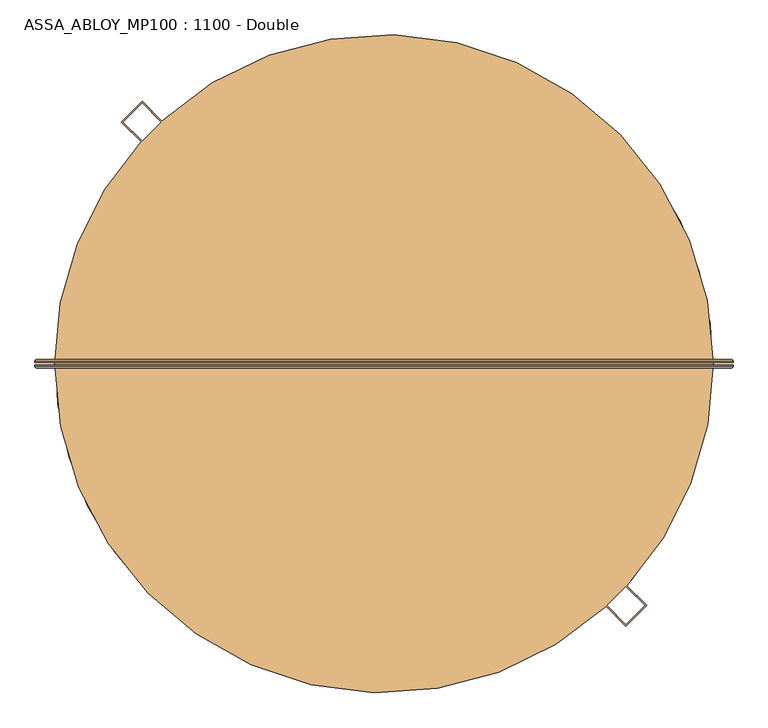
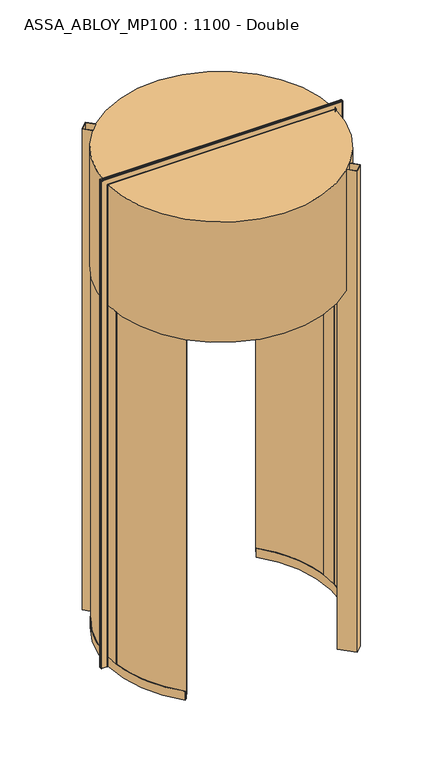
"""IFC4 building model written with IfcOpenShell, lengths in millimetres: door geometry, ASSA_ABLOY_MP100 : 1100 - Double."""

from ifc_helpers import new_model, si_unit, point, frame, frame_2d, origin, place, context, project, spatial, polyline, circle_curve, ellipse_curve, trimmed, segment, composite_curve, outline, extrude, source, transform, mapped, element, save
from ifc_brep_helpers import plane_surface, cylinder_surface, revolved_surface, advanced_brep


def assa_abloy_mp100_1100_double_54a9ef45(model_context):
    return source(origin(), model_context, "Body", "SolidModel", [
        advanced_brep(
        [(1070.0980762, 11.0, 0.0), (1074.0980762, 7.0, 0.0), (1074.0980762, 3.0, 0.0), (1072.0980762, 3.0, 0.0), (1072.0980762, 7.0, 0.0), (1070.0980762, 9.0, 0.0), (1028.0980762, 9.0, 0.0), (1026.0980762, 7.0, 0.0), (1026.0980762, 3.0, 0.0), (1024.0980762, 3.0, 0.0), (1024.0980762, 7.0, 0.0), (1028.0980762, 11.0, 0.0), (1070.0980762, 11.0, 4050.9980762), (1074.0980762, 7.0, 4054.9980762), (1074.0980762, 3.0, 4054.9980762), (1024.0980762, 7.0, 4004.9980762), (1028.0980762, 11.0, 4008.9980762), (-778.0980762, 11.0, 4008.9980762), (-778.0980762, 11.0, 0.0), (-820.0980762, 11.0, 0.0), (-820.0980762, 11.0, 4050.9980762), (-824.0980762, 7.0, 4054.9980762), (-824.0980762, 3.0, 4054.9980762), (-774.0980762, 7.0, 4004.9980762), (-774.0980762, 7.0, 0.0), (-774.0980762, 3.0, 0.0), (-776.0980762, 3.0, 0.0), (-776.0980762, 7.0, 0.0), (-778.0980762, 9.0, 0.0), (-820.0980762, 9.0, 0.0), (-822.0980762, 7.0, 0.0), (-822.0980762, 3.0, 0.0), (-824.0980762, 3.0, 0.0), (-824.0980762, 7.0, 0.0), (-822.0980762, 3.0, 4052.9980762), (1072.0980762, 3.0, 4052.9980762), (1072.0980762, 7.0, 4052.9980762), (1070.0980762, 9.0, 4050.9980762), (-820.0980762, 9.0, 4050.9980762), (-778.0980762, 9.0, 4008.9980762), (1028.0980762, 9.0, 4008.9980762), (1026.0980762, 7.0, 4006.9980762), (1026.0980762, 3.0, 4006.9980762), (-776.0980762, 3.0, 4006.9980762), (-774.0980762, 3.0, 4004.9980762), (1024.0980762, 3.0, 4004.9980762), (-822.0980762, 7.0, 4052.9980762), (-776.0980762, 7.0, 4006.9980762)],
        [
            (0, 1, circle_curve(frame((1070.0980762, 7.0, 0.0), z_axis=(0.0, 0.0, -1.0), x_axis=(-1.0, 0.0, 0.0)), 4.0)),
            (1, 2),
            (2, 3),
            (3, 4),
            (4, 5, circle_curve(frame((1070.0980762, 7.0, 0.0), z_axis=(0.0, 0.0, 1.0), x_axis=(-1.0, 0.0, 0.0)), 2.0)),
            (5, 6),
            (6, 7, circle_curve(frame((1028.0980762, 7.0, 0.0), z_axis=(0.0, 0.0, 1.0), x_axis=(-1.0, 0.0, 0.0)), 2.0)),
            (7, 8),
            (8, 9),
            (9, 10),
            (10, 11, circle_curve(frame((1028.0980762, 7.0, 0.0), z_axis=(0.0, 0.0, -1.0), x_axis=(-1.0, 0.0, 0.0)), 4.0)),
            (11, 0),
            (0, 12),
            (12, 13, ellipse_curve(frame((1070.0980762, 7.0, 4050.9980762), z_axis=(0.7071067811865475, 0.0, -0.7071067811865475), x_axis=(-0.7071067811865474, 0.0, -0.7071067811865476)), 5.6568542, 4.0)),
            (13, 1),
            (13, 14),
            (14, 2),
            (10, 15),
            (15, 16, ellipse_curve(frame((1028.0980762, 7.0, 4008.9980762), z_axis=(0.7071067811865475, 0.0, -0.7071067811865475), x_axis=(-0.7071067811865474, 0.0, -0.7071067811865476)), 5.6568542, 4.0)),
            (16, 11),
            (16, 17),
            (17, 18),
            (18, 19),
            (19, 20),
            (20, 12),
            (20, 21, ellipse_curve(frame((-820.0980762, 7.0, 4050.9980762), z_axis=(0.7071067811865475, 0.0, 0.7071067811865475), x_axis=(0.7071067811865476, 0.0, -0.7071067811865474)), 5.6568542, 4.0)),
            (21, 13),
            (21, 22),
            (22, 14),
            (15, 23),
            (23, 17, ellipse_curve(frame((-778.0980762, 7.0, 4008.9980762), z_axis=(0.7071067811865475, 0.0, 0.7071067811865475), x_axis=(0.7071067811865476, 0.0, -0.7071067811865474)), 5.6568542, 4.0)),
            (18, 24, circle_curve(frame((-778.0980762, 7.0, 0.0), z_axis=(0.0, 0.0, -1.0), x_axis=(1.0, 0.0, 0.0)), 4.0)),
            (24, 25),
            (25, 26),
            (26, 27),
            (27, 28, circle_curve(frame((-778.0980762, 7.0, 0.0), z_axis=(0.0, 0.0, 1.0), x_axis=(1.0, 0.0, 0.0)), 2.0)),
            (28, 29),
            (29, 30, circle_curve(frame((-820.0980762, 7.0, 0.0), z_axis=(0.0, 0.0, 1.0), x_axis=(1.0, 0.0, 0.0)), 2.0)),
            (30, 31),
            (31, 32),
            (32, 33),
            (33, 19, circle_curve(frame((-820.0980762, 7.0, 0.0), z_axis=(0.0, 0.0, -1.0), x_axis=(1.0, 0.0, 0.0)), 4.0)),
            (33, 21),
            (32, 22),
            (23, 24),
            (31, 34),
            (34, 35),
            (35, 3),
            (35, 36),
            (36, 4),
            (36, 37, ellipse_curve(frame((1070.0980762, 7.0, 4050.9980762), z_axis=(-0.7071067811865475, 0.0, 0.7071067811865475), x_axis=(0.7071067811865474, 0.0, 0.7071067811865476)), 2.8284271, 2.0)),
            (37, 5),
            (37, 38),
            (38, 29),
            (28, 39),
            (39, 40),
            (40, 6),
            (40, 41, ellipse_curve(frame((1028.0980762, 7.0, 4008.9980762), z_axis=(-0.7071067811865475, 0.0, 0.7071067811865475), x_axis=(0.7071067811865474, 0.0, 0.7071067811865476)), 2.8284271, 2.0)),
            (41, 7),
            (41, 42),
            (42, 8),
            (42, 43),
            (43, 26),
            (25, 44),
            (44, 45),
            (45, 9),
            (45, 15),
            (34, 46),
            (46, 36),
            (46, 38, ellipse_curve(frame((-820.0980762, 7.0, 4050.9980762), z_axis=(-0.7071067811865475, 0.0, -0.7071067811865475), x_axis=(-0.7071067811865476, 0.0, 0.7071067811865474)), 2.8284271, 2.0)),
            (39, 47, ellipse_curve(frame((-778.0980762, 7.0, 4008.9980762), z_axis=(-0.7071067811865475, 0.0, -0.7071067811865475), x_axis=(-0.7071067811865476, 0.0, 0.7071067811865474)), 2.8284271, 2.0)),
            (47, 41),
            (47, 43),
            (44, 23),
            (30, 46),
            (27, 47),
        ],
        [
            plane_surface(frame((1024.1, 0.0, 0.0), z_axis=(0.0, 0.0, -1.0), x_axis=(0.0, -1.0, 0.0))),
            cylinder_surface(frame((1070.0980762, 7.0, 0.0), z_axis=(0.0, 0.0, -1.0), x_axis=(-1.0, 0.0, 0.0)), 4.0),
            plane_surface(frame((1074.0980762, 7.0, 0.0), z_axis=(1.0, 0.0, 0.0), x_axis=(0.0, 0.0, 1.0))),
            cylinder_surface(frame((1028.0980762, 7.0, 0.0), z_axis=(0.0, 0.0, -1.0), x_axis=(-1.0, 0.0, 0.0)), 4.0),
            plane_surface(frame((1028.0980762, 11.0, 0.0), z_axis=(0.0, 1.0, 0.0), x_axis=(0.0, 0.0, 1.0))),
            cylinder_surface(frame((1024.1, 7.0, 4050.9980762), z_axis=(1.0, 0.0, 0.0), x_axis=(0.0, 0.0, -1.0)), 4.0),
            plane_surface(frame((1074.0980762, 7.0, 4054.9980762), z_axis=(0.0, 0.0, 1.0), x_axis=(-1.0, 0.0, 0.0))),
            cylinder_surface(frame((1024.1, 7.0, 4008.9980762), z_axis=(1.0, 0.0, 0.0), x_axis=(0.0, 0.0, -1.0)), 4.0),
            plane_surface(frame((-774.1, 0.0, 0.0), z_axis=(0.0, 0.0, -1.0), x_axis=(0.0, -1.0, 0.0))),
            cylinder_surface(frame((-820.0980762, 7.0, 4005.0), z_axis=(0.0, 0.0, 1.0), x_axis=(1.0, 0.0, 0.0)), 4.0),
            plane_surface(frame((-824.0980762, 7.0, 4054.9980762), z_axis=(-1.0, 0.0, 0.0), x_axis=(0.0, 0.0, -1.0))),
            cylinder_surface(frame((-778.0980762, 7.0, 4005.0), z_axis=(0.0, 0.0, 1.0), x_axis=(1.0, 0.0, 0.0)), 4.0),
            plane_surface(frame((1074.0980762, 3.0, 0.0), z_axis=(0.0, -1.0, 0.0), x_axis=(0.0, 0.0, 1.0))),
            plane_surface(frame((1072.0980762, 3.0, 0.0), z_axis=(-1.0, 0.0, 0.0), x_axis=(0.0, 0.0, 1.0))),
            revolved_surface(polyline([(1068.0980762, 7.0, 4052.9980762), (1068.0980762, 7.0, 0.0)]), (1070.0980762, 7.0, 0.0), (0.0, 0.0, 1.0)),
            plane_surface(frame((1070.0980762, 9.0, 0.0), z_axis=(0.0, -1.0, 0.0), x_axis=(0.0, 0.0, 1.0))),
            revolved_surface(polyline([(1026.0980762, 7.0, 4010.998076182502), (1026.0980762, 7.0, 0.0)]), (1028.0980762, 7.0, 0.0), (0.0, 0.0, 1.0)),
            plane_surface(frame((1026.0980762, 7.0, 0.0), z_axis=(1.0, 0.0, 0.0), x_axis=(0.0, 0.0, 1.0))),
            plane_surface(frame((1026.0980762, 3.0, 0.0), z_axis=(0.0, -1.0, 0.0), x_axis=(0.0, 0.0, 1.0))),
            plane_surface(frame((1024.0980762, 3.0, 0.0), z_axis=(-1.0, 0.0, 0.0), x_axis=(0.0, 0.0, 1.0))),
            plane_surface(frame((1072.0980762, 3.0, 4052.9980762), z_axis=(0.0, 0.0, -1.0), x_axis=(-1.0, 0.0, 0.0))),
            revolved_surface(polyline([(-822.0980761999999, 7.0, 4048.9980762), (1072.0980762, 7.0, 4048.9980762)]), (1024.1, 7.0, 4050.9980762), (-1.0, 0.0, 0.0)),
            revolved_surface(polyline([(-780.0980761825017, 7.0, 4006.9980762), (1030.0980761825017, 7.0, 4006.9980762)]), (1024.1, 7.0, 4008.9980762), (-1.0, 0.0, 0.0)),
            plane_surface(frame((1026.0980762, 7.0, 4006.9980762), z_axis=(0.0, 0.0, 1.0), x_axis=(-1.0, 0.0, 0.0))),
            plane_surface(frame((1024.0980762, 3.0, 4004.9980762), z_axis=(0.0, 0.0, -1.0), x_axis=(-1.0, 0.0, 0.0))),
            plane_surface(frame((-822.0980762, 3.0, 4052.9980762), z_axis=(1.0, 0.0, 0.0), x_axis=(0.0, 0.0, -1.0))),
            revolved_surface(polyline([(-818.0980762, 7.0, 0.0), (-818.0980762, 7.0, 4052.9980762)]), (-820.0980762, 7.0, 4005.0), (0.0, 0.0, -1.0)),
            revolved_surface(polyline([(-776.0980762, 7.0, 0.0), (-776.0980762, 7.0, 4010.998076182502)]), (-778.0980762, 7.0, 4005.0), (0.0, 0.0, -1.0)),
            plane_surface(frame((-776.0980762, 7.0, 4006.9980762), z_axis=(-1.0, 0.0, 0.0), x_axis=(0.0, 0.0, -1.0))),
            plane_surface(frame((-774.0980762, 3.0, 4004.9980762), z_axis=(1.0, 0.0, 0.0), x_axis=(0.0, 0.0, -1.0))),
        ],
        [
            (0, [[1, 2, 3, 4, 5, 6, 7, 8, 9, 10, 11, 12]]),
            (1, [[-1, 13, 14, 15]]),
            (2, [[-2, -15, 16, 17]]),
            (3, [[-11, 18, 19, 20]]),
            (4, [[-12, -20, 21, 22, 23, 24, 25, -13]]),
            (5, [[-14, -25, 26, 27]]),
            (6, [[-16, -27, 28, 29]]),
            (7, [[-19, 30, 31, -21]]),
            (8, [[-23, 32, 33, 34, 35, 36, 37, 38, 39, 40, 41, 42]]),
            (9, [[-26, -24, -42, 43]]),
            (10, [[-28, -43, -41, 44]]),
            (11, [[-31, 45, -32, -22]]),
            (12, [[-3, -17, -29, -44, -40, 46, 47, 48]]),
            (13, [[-4, -48, 49, 50]]),
            (14, [[-5, -50, 51, 52]]),
            (15, [[-6, -52, 53, 54, -37, 55, 56, 57]]),
            (16, [[-7, -57, 58, 59]]),
            (17, [[-8, -59, 60, 61]]),
            (18, [[-9, -61, 62, 63, -34, 64, 65, 66]]),
            (19, [[-10, -66, 67, -18]]),
            (20, [[-49, -47, 68, 69]]),
            (21, [[-51, -69, 70, -53]]),
            (22, [[-58, -56, 71, 72]]),
            (23, [[-60, -72, 73, -62]]),
            (24, [[-67, -65, 74, -30]]),
            (25, [[-68, -46, -39, 75]]),
            (26, [[-70, -75, -38, -54]]),
            (27, [[-71, -55, -36, 76]]),
            (28, [[-73, -76, -35, -63]]),
            (29, [[-74, -64, -33, -45]]),
        ],
    ),
        advanced_brep(
        [(1024.0980762, -3.0, 0.0), (1026.0980762, -3.0, 0.0), (1026.0980762, -7.0, 0.0), (1028.0980762, -9.0, 0.0), (1070.0980762, -9.0, 0.0), (1072.0980762, -7.0, 0.0), (1072.0980762, -3.0, 0.0), (1074.0980762, -3.0, 0.0), (1074.0980762, -7.0, 0.0), (1070.0980762, -11.0, 0.0), (1028.0980762, -11.0, 0.0), (1024.0980762, -7.0, 0.0), (1074.0980762, -7.0, 4054.9980762), (1070.0980762, -11.0, 4050.9980762), (-820.0980762, -11.0, 4050.9980762), (-820.0980762, -11.0, 0.0), (-778.0980762, -11.0, 0.0), (-778.0980762, -11.0, 4008.9980762), (1028.0980762, -11.0, 4008.9980762), (1024.0980762, -7.0, 4004.9980762), (1024.0980762, -3.0, 4004.9980762), (-824.0980762, -7.0, 4054.9980762), (-774.0980762, -7.0, 4004.9980762), (-774.0980762, -3.0, 4004.9980762), (-774.0980762, -3.0, 0.0), (-774.0980762, -7.0, 0.0), (-824.0980762, -7.0, 0.0), (-824.0980762, -3.0, 0.0), (-822.0980762, -3.0, 0.0), (-822.0980762, -7.0, 0.0), (-820.0980762, -9.0, 0.0), (-778.0980762, -9.0, 0.0), (-776.0980762, -7.0, 0.0), (-776.0980762, -3.0, 0.0), (-776.0980762, -3.0, 4006.9980762), (1026.0980762, -3.0, 4006.9980762), (1026.0980762, -7.0, 4006.9980762), (1028.0980762, -9.0, 4008.9980762), (-778.0980762, -9.0, 4008.9980762), (-820.0980762, -9.0, 4050.9980762), (1070.0980762, -9.0, 4050.9980762), (1072.0980762, -7.0, 4052.9980762), (1072.0980762, -3.0, 4052.9980762), (-822.0980762, -3.0, 4052.9980762), (-824.0980762, -3.0, 4054.9980762), (1074.0980762, -3.0, 4054.9980762), (-776.0980762, -7.0, 4006.9980762), (-822.0980762, -7.0, 4052.9980762)],
        [
            (0, 1),
            (1, 2),
            (2, 3, circle_curve(frame((1028.0980762, -7.0, 0.0), z_axis=(0.0, 0.0, 1.0), x_axis=(-1.0, 0.0, 0.0)), 2.0)),
            (3, 4),
            (4, 5, circle_curve(frame((1070.0980762, -7.0, 0.0), z_axis=(0.0, 0.0, 1.0), x_axis=(-1.0, 0.0, 0.0)), 2.0)),
            (5, 6),
            (6, 7),
            (7, 8),
            (8, 9, circle_curve(frame((1070.0980762, -7.0, 0.0), z_axis=(0.0, 0.0, -1.0), x_axis=(-1.0, 0.0, 0.0)), 4.0)),
            (9, 10),
            (10, 11, circle_curve(frame((1028.0980762, -7.0, 0.0), z_axis=(0.0, 0.0, -1.0), x_axis=(-1.0, 0.0, 0.0)), 4.0)),
            (11, 0),
            (8, 12),
            (12, 13, ellipse_curve(frame((1070.0980762, -7.0, 4050.9980762), z_axis=(0.7071067811865475, 0.0, -0.7071067811865475), x_axis=(-0.7071067811865474, 0.0, -0.7071067811865476)), 5.6568542, 4.0)),
            (13, 9),
            (13, 14),
            (14, 15),
            (15, 16),
            (16, 17),
            (17, 18),
            (18, 10),
            (18, 19, ellipse_curve(frame((1028.0980762, -7.0, 4008.9980762), z_axis=(0.7071067811865475, 0.0, -0.7071067811865475), x_axis=(-0.7071067811865474, 0.0, -0.7071067811865476)), 5.6568542, 4.0)),
            (19, 11),
            (19, 20),
            (20, 0),
            (12, 21),
            (21, 14, ellipse_curve(frame((-820.0980762, -7.0, 4050.9980762), z_axis=(0.7071067811865475, 0.0, 0.7071067811865475), x_axis=(0.7071067811865476, 0.0, -0.7071067811865474)), 5.6568542, 4.0)),
            (17, 22, ellipse_curve(frame((-778.0980762, -7.0, 4008.9980762), z_axis=(0.7071067811865475, 0.0, 0.7071067811865475), x_axis=(0.7071067811865476, 0.0, -0.7071067811865474)), 5.6568542, 4.0)),
            (22, 19),
            (22, 23),
            (23, 20),
            (24, 25),
            (25, 16, circle_curve(frame((-778.0980762, -7.0, 0.0), z_axis=(0.0, 0.0, -1.0), x_axis=(1.0, 0.0, 0.0)), 4.0)),
            (15, 26, circle_curve(frame((-820.0980762, -7.0, 0.0), z_axis=(0.0, 0.0, -1.0), x_axis=(1.0, 0.0, 0.0)), 4.0)),
            (26, 27),
            (27, 28),
            (28, 29),
            (29, 30, circle_curve(frame((-820.0980762, -7.0, 0.0), z_axis=(0.0, 0.0, 1.0), x_axis=(1.0, 0.0, 0.0)), 2.0)),
            (30, 31),
            (31, 32, circle_curve(frame((-778.0980762, -7.0, 0.0), z_axis=(0.0, 0.0, 1.0), x_axis=(1.0, 0.0, 0.0)), 2.0)),
            (32, 33),
            (33, 24),
            (21, 26),
            (25, 22),
            (24, 23),
            (33, 34),
            (34, 35),
            (35, 1),
            (35, 36),
            (36, 2),
            (36, 37, ellipse_curve(frame((1028.0980762, -7.0, 4008.9980762), z_axis=(-0.7071067811865475, 0.0, 0.7071067811865475), x_axis=(0.7071067811865474, 0.0, 0.7071067811865476)), 2.8284271, 2.0)),
            (37, 3),
            (37, 38),
            (38, 31),
            (30, 39),
            (39, 40),
            (40, 4),
            (40, 41, ellipse_curve(frame((1070.0980762, -7.0, 4050.9980762), z_axis=(-0.7071067811865475, 0.0, 0.7071067811865475), x_axis=(0.7071067811865474, 0.0, 0.7071067811865476)), 2.8284271, 2.0)),
            (41, 5),
            (41, 42),
            (42, 6),
            (42, 43),
            (43, 28),
            (27, 44),
            (44, 45),
            (45, 7),
            (45, 12),
            (34, 46),
            (46, 36),
            (46, 38, ellipse_curve(frame((-778.0980762, -7.0, 4008.9980762), z_axis=(-0.7071067811865475, 0.0, -0.7071067811865475), x_axis=(-0.7071067811865476, 0.0, 0.7071067811865474)), 2.8284271, 2.0)),
            (39, 47, ellipse_curve(frame((-820.0980762, -7.0, 4050.9980762), z_axis=(-0.7071067811865475, 0.0, -0.7071067811865475), x_axis=(-0.7071067811865476, 0.0, 0.7071067811865474)), 2.8284271, 2.0)),
            (47, 41),
            (47, 43),
            (44, 21),
            (32, 46),
            (29, 47),
        ],
        [
            plane_surface(frame((1024.1, 0.0, 0.0), z_axis=(0.0, 0.0, -1.0), x_axis=(0.0, -1.0, 0.0))),
            cylinder_surface(frame((1070.0980762, -7.0, 0.0), z_axis=(0.0, 0.0, -1.0), x_axis=(-1.0, 0.0, 0.0)), 4.0),
            plane_surface(frame((1070.0980762, -11.0, 0.0), z_axis=(0.0, -1.0, 0.0), x_axis=(0.0, 0.0, 1.0))),
            cylinder_surface(frame((1028.0980762, -7.0, 0.0), z_axis=(0.0, 0.0, -1.0), x_axis=(-1.0, 0.0, 0.0)), 4.0),
            plane_surface(frame((1024.0980762, -7.0, 0.0), z_axis=(-1.0, 0.0, 0.0), x_axis=(0.0, 0.0, 1.0))),
            cylinder_surface(frame((1024.1, -7.0, 4050.9980762), z_axis=(1.0, 0.0, 0.0), x_axis=(0.0, 0.0, -1.0)), 4.0),
            cylinder_surface(frame((1024.1, -7.0, 4008.9980762), z_axis=(1.0, 0.0, 0.0), x_axis=(0.0, 0.0, -1.0)), 4.0),
            plane_surface(frame((1024.0980762, -7.0, 4004.9980762), z_axis=(0.0, 0.0, -1.0), x_axis=(-1.0, 0.0, 0.0))),
            plane_surface(frame((-774.1, 0.0, 0.0), z_axis=(0.0, 0.0, -1.0), x_axis=(0.0, -1.0, 0.0))),
            cylinder_surface(frame((-820.0980762, -7.0, 4005.0), z_axis=(0.0, 0.0, 1.0), x_axis=(1.0, 0.0, 0.0)), 4.0),
            cylinder_surface(frame((-778.0980762, -7.0, 4005.0), z_axis=(0.0, 0.0, 1.0), x_axis=(1.0, 0.0, 0.0)), 4.0),
            plane_surface(frame((-774.0980762, -7.0, 4004.9980762), z_axis=(1.0, 0.0, 0.0), x_axis=(0.0, 0.0, -1.0))),
            plane_surface(frame((1024.0980762, -3.0, 0.0), z_axis=(0.0, 1.0, 0.0), x_axis=(0.0, 0.0, 1.0))),
            plane_surface(frame((1026.0980762, -3.0, 0.0), z_axis=(1.0, 0.0, 0.0), x_axis=(0.0, 0.0, 1.0))),
            revolved_surface(polyline([(1026.0980762, -7.0, 4010.998076182502), (1026.0980762, -7.0, 0.0)]), (1028.0980762, -7.0, 0.0), (0.0, 0.0, 1.0)),
            plane_surface(frame((1028.0980762, -9.0, 0.0), z_axis=(0.0, 1.0, 0.0), x_axis=(0.0, 0.0, 1.0))),
            revolved_surface(polyline([(1068.0980762, -7.0, 4052.9980762), (1068.0980762, -7.0, 0.0)]), (1070.0980762, -7.0, 0.0), (0.0, 0.0, 1.0)),
            plane_surface(frame((1072.0980762, -7.0, 0.0), z_axis=(-1.0, 0.0, 0.0), x_axis=(0.0, 0.0, 1.0))),
            plane_surface(frame((1072.0980762, -3.0, 0.0), z_axis=(0.0, 1.0, 0.0), x_axis=(0.0, 0.0, 1.0))),
            plane_surface(frame((1074.0980762, -3.0, 0.0), z_axis=(1.0, 0.0, 0.0), x_axis=(0.0, 0.0, 1.0))),
            plane_surface(frame((1026.0980762, -3.0, 4006.9980762), z_axis=(0.0, 0.0, 1.0), x_axis=(-1.0, 0.0, 0.0))),
            revolved_surface(polyline([(-780.0980761825017, -7.0, 4006.9980762), (1030.0980761825017, -7.0, 4006.9980762)]), (1024.1, -7.0, 4008.9980762), (-1.0, 0.0, 0.0)),
            revolved_surface(polyline([(-822.0980761999999, -7.0, 4048.9980762), (1072.0980762, -7.0, 4048.9980762)]), (1024.1, -7.0, 4050.9980762), (-1.0, 0.0, 0.0)),
            plane_surface(frame((1072.0980762, -7.0, 4052.9980762), z_axis=(0.0, 0.0, -1.0), x_axis=(-1.0, 0.0, 0.0))),
            plane_surface(frame((1074.0980762, -3.0, 4054.9980762), z_axis=(0.0, 0.0, 1.0), x_axis=(-1.0, 0.0, 0.0))),
            plane_surface(frame((-776.0980762, -3.0, 4006.9980762), z_axis=(-1.0, 0.0, 0.0), x_axis=(0.0, 0.0, -1.0))),
            revolved_surface(polyline([(-776.0980762, -7.0, 0.0), (-776.0980762, -7.0, 4010.998076182502)]), (-778.0980762, -7.0, 4005.0), (0.0, 0.0, -1.0)),
            revolved_surface(polyline([(-818.0980762, -7.0, 0.0), (-818.0980762, -7.0, 4052.9980762)]), (-820.0980762, -7.0, 4005.0), (0.0, 0.0, -1.0)),
            plane_surface(frame((-822.0980762, -7.0, 4052.9980762), z_axis=(1.0, 0.0, 0.0), x_axis=(0.0, 0.0, -1.0))),
            plane_surface(frame((-824.0980762, -3.0, 4054.9980762), z_axis=(-1.0, 0.0, 0.0), x_axis=(0.0, 0.0, -1.0))),
        ],
        [
            (0, [[1, 2, 3, 4, 5, 6, 7, 8, 9, 10, 11, 12]]),
            (1, [[-9, 13, 14, 15]]),
            (2, [[-10, -15, 16, 17, 18, 19, 20, 21]]),
            (3, [[-11, -21, 22, 23]]),
            (4, [[-12, -23, 24, 25]]),
            (5, [[-14, 26, 27, -16]]),
            (6, [[-22, -20, 28, 29]]),
            (7, [[-24, -29, 30, 31]]),
            (8, [[32, 33, -18, 34, 35, 36, 37, 38, 39, 40, 41, 42]]),
            (9, [[-27, 43, -34, -17]]),
            (10, [[-28, -19, -33, 44]]),
            (11, [[-30, -44, -32, 45]]),
            (12, [[-1, -25, -31, -45, -42, 46, 47, 48]]),
            (13, [[-2, -48, 49, 50]]),
            (14, [[-3, -50, 51, 52]]),
            (15, [[-4, -52, 53, 54, -39, 55, 56, 57]]),
            (16, [[-5, -57, 58, 59]]),
            (17, [[-6, -59, 60, 61]]),
            (18, [[-7, -61, 62, 63, -36, 64, 65, 66]]),
            (19, [[-8, -66, 67, -13]]),
            (20, [[-49, -47, 68, 69]]),
            (21, [[-51, -69, 70, -53]]),
            (22, [[-58, -56, 71, 72]]),
            (23, [[-60, -72, 73, -62]]),
            (24, [[-67, -65, 74, -26]]),
            (25, [[-68, -46, -41, 75]]),
            (26, [[-70, -75, -40, -54]]),
            (27, [[-71, -55, -38, 76]]),
            (28, [[-73, -76, -37, -63]]),
            (29, [[-74, -64, -35, -43]]),
        ],
    ),
        advanced_brep(
        [(-502.3617517, -607.8707388, 73.0), (-504.5162766, -609.9583265, 73.0), (-504.5162766, -609.9583265, 39.0), (-514.5707263, -619.7004023, 39.0), (-514.5707263, -619.7004023, 73.0), (-516.7252512, -621.78799, 73.0), (-516.7252512, -621.78799, 0.0), (-514.5707263, -619.7004023, 0.0), (-514.5707263, -619.7004023, 24.0), (-504.5162766, -609.9583265, 24.0), (-504.5162766, -609.9583265, 0.0), (-502.3617517, -607.8707388, 0.0), (-531.9545533, 575.7606424, 73.0), (-531.9545533, 575.7606424, 0.0), (-534.2107077, 577.7379556, 0.0), (-534.2107077, 577.7379556, 24.0), (-544.7394281, 586.9654171, 24.0), (-544.7394281, 586.9654171, 0.0), (-546.9955825, 588.9427303, 0.0), (-546.9955825, 588.9427303, 73.0), (-544.7394281, 586.9654171, 73.0), (-544.7394281, 586.9654171, 39.0), (-534.2107077, 577.7379556, 39.0), (-534.2107077, 577.7379556, 73.0), (-742.047818, -106.3846031, 73.0), (-745.0254878, -106.7499558, 73.0), (-751.0564154, 29.4118941, 73.0), (-748.0581047, 29.3112316, 73.0), (-765.0485342, 29.8815887, 73.0), (-758.921288, -108.4548717, 73.0), (-761.8989578, -108.8202243, 73.0), (-768.0468449, 29.982251, 73.0), (-768.0468449, 29.982251, 3000.0), (-761.8989578, -108.8202243, 3000.0), (-758.921288, -108.4548717, 3000.0), (-765.0485342, 29.8815887, 3000.0), (-748.0581047, 29.3112316, 3000.0), (-751.0564154, 29.4118941, 3000.0), (-745.0254878, -106.7499558, 3000.0), (-742.047818, -106.3846031, 3000.0)],
        [
            (0, 1),
            (1, 2),
            (2, 3),
            (3, 4),
            (4, 5),
            (5, 6),
            (6, 7),
            (7, 8),
            (8, 9),
            (9, 10),
            (10, 11),
            (11, 0),
            (12, 13),
            (13, 14),
            (14, 15),
            (15, 16),
            (16, 17),
            (17, 18),
            (18, 19),
            (19, 20),
            (20, 21),
            (21, 22),
            (22, 23),
            (23, 12),
            (0, 24, circle_curve(frame((125.0, 0.0, 73.0), z_axis=(0.0, 0.0, -1.0), x_axis=(-0.718174977567995, -0.6958625594147237, 0.0)), 873.55)),
            (24, 25),
            (25, 1, circle_curve(frame((125.0, 0.0, 73.0), z_axis=(0.0, 0.0, 1.0), x_axis=(-0.718174977567995, -0.6958625594147237, 0.0)), 876.55)),
            (23, 26, circle_curve(frame((125.0, 0.0, 73.0), z_axis=(0.0, 0.0, 1.0), x_axis=(-0.718174977567995, -0.6958625594147237, 0.0)), 876.55)),
            (26, 27),
            (27, 12, circle_curve(frame((125.0, 0.0, 73.0), z_axis=(0.0, 0.0, -1.0), x_axis=(-0.718174977567995, -0.6958625594147237, 0.0)), 873.55)),
            (25, 26, circle_curve(frame((125.0, 0.0, 73.0), z_axis=(0.0, 0.0, -1.0), x_axis=(-0.718174977567995, -0.6958625594147237, 0.0)), 876.55)),
            (22, 2, circle_curve(frame((125.0, 0.0, 39.0), z_axis=(0.0, 0.0, 1.0), x_axis=(-0.718174977567995, -0.6958625594147237, 0.0)), 876.55)),
            (21, 3, circle_curve(frame((125.0, 0.0, 39.0), z_axis=(0.0, 0.0, 1.0), x_axis=(-0.718174977567995, -0.6958625594147237, 0.0)), 890.55)),
            (20, 28, circle_curve(frame((125.0, 0.0, 73.0), z_axis=(0.0, 0.0, 1.0), x_axis=(-0.718174977567995, -0.6958625594147237, 0.0)), 890.55)),
            (28, 29, circle_curve(frame((125.0, 0.0, 73.0), z_axis=(0.0, 0.0, 1.0), x_axis=(-0.718174977567995, -0.6958625594147237, 0.0)), 890.55)),
            (29, 4, circle_curve(frame((125.0, 0.0, 73.0), z_axis=(0.0, 0.0, 1.0), x_axis=(-0.718174977567995, -0.6958625594147237, 0.0)), 890.55)),
            (29, 30),
            (30, 5, circle_curve(frame((125.0, 0.0, 73.0), z_axis=(0.0, 0.0, 1.0), x_axis=(-0.718174977567995, -0.6958625594147237, 0.0)), 893.55)),
            (19, 31, circle_curve(frame((125.0, 0.0, 73.0), z_axis=(0.0, 0.0, 1.0), x_axis=(-0.718174977567995, -0.6958625594147237, 0.0)), 893.55)),
            (31, 28),
            (30, 31, circle_curve(frame((125.0, 0.0, 73.0), z_axis=(0.0, 0.0, -1.0), x_axis=(-0.718174977567995, -0.6958625594147237, 0.0)), 893.55)),
            (18, 6, circle_curve(frame((125.0, 0.0, 0.0), z_axis=(0.0, 0.0, 1.0), x_axis=(-0.718174977567995, -0.6958625594147237, 0.0)), 893.55)),
            (17, 7, circle_curve(frame((125.0, 0.0, 0.0), z_axis=(0.0, 0.0, 1.0), x_axis=(-0.718174977567995, -0.6958625594147237, 0.0)), 890.55)),
            (16, 8, circle_curve(frame((125.0, 0.0, 24.0), z_axis=(0.0, 0.0, 1.0), x_axis=(-0.718174977567995, -0.6958625594147237, 0.0)), 890.55)),
            (15, 9, circle_curve(frame((125.0, 0.0, 24.0), z_axis=(0.0, 0.0, 1.0), x_axis=(-0.718174977567995, -0.6958625594147237, 0.0)), 876.55)),
            (14, 10, circle_curve(frame((125.0, 0.0, 0.0), z_axis=(0.0, 0.0, 1.0), x_axis=(-0.718174977567995, -0.6958625594147237, 0.0)), 876.55)),
            (13, 11, circle_curve(frame((125.0, 0.0, 0.0), z_axis=(0.0, 0.0, 1.0), x_axis=(-0.718174977567995, -0.6958625594147237, 0.0)), 873.55)),
            (27, 24, circle_curve(frame((125.0, 0.0, 73.0), z_axis=(0.0, 0.0, 1.0), x_axis=(-0.718174977567995, -0.6958625594147237, 0.0)), 873.55)),
            (32, 33, circle_curve(frame((125.0, 0.0, 3000.0), z_axis=(0.0, 0.0, 1.0), x_axis=(0.7071067811865459, -0.7071067811865491, 0.0)), 893.55)),
            (33, 34),
            (34, 35, circle_curve(frame((125.0, 0.0, 3000.0), z_axis=(0.0, 0.0, -1.0), x_axis=(0.7071067811865459, -0.7071067811865491, 0.0)), 890.55)),
            (35, 32),
            (32, 31),
            (30, 33),
            (29, 34),
            (28, 35),
            (36, 37),
            (37, 38, circle_curve(frame((125.0, 0.0, 3000.0), z_axis=(0.0, 0.0, 1.0), x_axis=(0.7071067811865459, -0.7071067811865492, 0.0)), 876.55)),
            (38, 39),
            (39, 36, circle_curve(frame((125.0, 0.0, 3000.0), z_axis=(0.0, 0.0, -1.0), x_axis=(0.7071067811865459, -0.7071067811865492, 0.0)), 873.55)),
            (36, 27),
            (26, 37),
            (25, 38),
            (24, 39),
        ],
        [
            plane_surface(frame((-509.5435014, -614.8293644, 0.0), z_axis=(0.6958625594147237, -0.718174977567995, 0.0), x_axis=(0.0, 0.0, 1.0))),
            plane_surface(frame((-539.4750679, 582.3516864, 0.0), z_axis=(0.6591043929135904, 0.7520514605012131, 0.0), x_axis=(0.0, 0.0, 1.0))),
            plane_surface(frame((125.0, 0.0, 73.0), z_axis=(0.0, 0.0, 1.0), x_axis=(-0.718174977567995, -0.6958625594147237, 0.0))),
            cylinder_surface(frame((125.0, 0.0, 0.0), z_axis=(0.0, 0.0, -1.0), x_axis=(-0.718174977567995, -0.6958625594147237, 0.0)), 876.55),
            plane_surface(frame((125.0, 0.0, 39.0), z_axis=(0.0, 0.0, 1.0), x_axis=(-0.718174977567995, -0.6958625594147237, 0.0))),
            revolved_surface(polyline([(-514.5707262731779, -619.7004022867822, 39.0), (-514.5707262731779, -619.7004022867822, 73.0)]), (125.0, 0.0, 0.0), (0.0, 0.0, -1.0)),
            cylinder_surface(frame((125.0, 0.0, 0.0), z_axis=(0.0, 0.0, -1.0), x_axis=(-0.718174977567995, -0.6958625594147237, 0.0)), 893.55),
            plane_surface(frame((125.0, 0.0, 0.0), z_axis=(0.0, 0.0, -1.0), x_axis=(-0.718174977567995, -0.6958625594147237, 0.0))),
            revolved_surface(polyline([(-514.5707262731779, -619.7004022867822, 0.0), (-514.5707262731779, -619.7004022867822, 24.0)]), (125.0, 0.0, 0.0), (0.0, 0.0, -1.0)),
            plane_surface(frame((125.0, 0.0, 24.0), z_axis=(0.0, 0.0, -1.0), x_axis=(-0.718174977567995, -0.6958625594147237, 0.0))),
            revolved_surface(polyline([(-502.361751654522, -607.8707387767319, 0.0), (-502.361751654522, -607.8707387767319, 73.0)]), (125.0, 0.0, 0.0), (0.0, 0.0, -1.0)),
            plane_surface(frame((756.8352643, -631.8352643, 3000.0), z_axis=(0.0, 0.0, 1.0000000000000002), x_axis=(0.7071067811865492, 0.7071067811865459, 0.0))),
            cylinder_surface(frame((125.0, 0.0, 73.0), z_axis=(0.0, 0.0, 1.0), x_axis=(0.7071067811865459, -0.7071067811865491, 0.0)), 893.55),
            plane_surface(frame((-761.8989578, -108.8202243, 3000.0), z_axis=(0.12178419038487846, -0.99255660340975, 0.0), x_axis=(0.0, 0.0, -1.0))),
            revolved_surface(polyline([(754.7139439856784, -629.7139439856813, 73.0), (754.7139439856784, -629.7139439856813, 3000.0)]), (125.0, 0.0, 73.0), (0.0, 0.0, -1.0)),
            plane_surface(frame((-765.0485342, 29.8815887, 3000.0), z_axis=(0.033554127064582544, 0.999436901738641, 0.0), x_axis=(0.0, 0.0, -1.0))),
            plane_surface(frame((-748.0581047, 29.3112316, 3000.0), z_axis=(0.0, 0.0, 1.0), x_axis=(-0.9994369002081612, 0.033554172651133175, 0.0))),
            plane_surface(frame((-748.0581047, 29.3112316, 3000.0), z_axis=(0.033554172651133175, 0.9994369002081612, 0.0), x_axis=(0.0, 0.0, -1.0))),
            cylinder_surface(frame((125.0, 0.0, 73.0), z_axis=(0.0, 0.0, 1.0000000000000002), x_axis=(0.7071067811865459, -0.7071067811865492, 0.0)), 876.55),
            plane_surface(frame((-745.0254878, -106.7499558, 3000.0), z_axis=(0.12178423542378133, -0.9925565978835893, 0.0), x_axis=(0.0, 0.0, -1.0))),
            revolved_surface(polyline([(742.6931287055071, -617.69312870551, 73.0), (742.6931287055071, -617.69312870551, 3000.000000000001)]), (125.0, 0.0, 73.0), (0.0, 0.0, -1.0000000000000002)),
        ],
        [
            (0, [[1, 2, 3, 4, 5, 6, 7, 8, 9, 10, 11, 12]]),
            (1, [[13, 14, 15, 16, 17, 18, 19, 20, 21, 22, 23, 24]]),
            (2, [[-1, 25, 26, 27]]),
            (2, [[-24, 28, 29, 30]]),
            (3, [[-2, -27, 31, -28, -23, 32]]),
            (4, [[-3, -32, -22, 33]]),
            (5, [[-4, -33, -21, 34, 35, 36]]),
            (2, [[-5, -36, 37, 38]]),
            (2, [[-20, 39, 40, -34]]),
            (6, [[-6, -38, 41, -39, -19, 42]]),
            (7, [[-7, -42, -18, 43]]),
            (8, [[-8, -43, -17, 44]]),
            (9, [[-9, -44, -16, 45]]),
            (3, [[-10, -45, -15, 46]]),
            (7, [[-11, -46, -14, 47]]),
            (10, [[-12, -47, -13, -30, 48, -25]]),
            (11, [[49, 50, 51, 52]]),
            (12, [[-49, 53, -41, 54]]),
            (13, [[-50, -54, -37, 55]]),
            (14, [[-51, -55, -35, 56]]),
            (15, [[-52, -56, -40, -53]]),
            (16, [[57, 58, 59, 60]]),
            (17, [[-57, 61, -29, 62]]),
            (18, [[-58, -62, -31, 63]]),
            (19, [[-59, -63, -26, 64]]),
            (20, [[-60, -64, -48, -61]]),
        ],
    ),
        advanced_brep(
        [(1011.897516, 108.8201559, 3000.0), (1008.9198462, 108.4548031, 3000.0), (1015.047092, -29.8816478, 3000.0), (1018.0454027, -29.9823104, 3000.0), (1011.897516, 108.8201559, 73.0), (1008.9198462, 108.4548031, 73.0), (1015.047092, -29.8816478, 73.0), (1018.0454027, -29.9823104, 73.0), (794.7409937, -586.9614469, 24.0), (794.7409937, -586.9614469, 0.0), (796.997157, -588.9387499, 0.0), (796.997157, -588.9387499, 73.0), (794.7409937, -586.9614469, 73.0), (794.7409937, -586.9614469, 39.0), (784.2122316, -577.7340329, 39.0), (784.2122316, -577.7340329, 73.0), (781.9560683, -575.7567299, 73.0), (781.9560683, -575.7567299, 0.0), (784.2122316, -577.7340329, 0.0), (784.2122316, -577.7340329, 24.0), (764.5716545, 619.6973758, 24.0), (754.517174, 609.9553318, 24.0), (754.517174, 609.9553318, 0.0), (752.3626424, 607.8677509, 0.0), (752.3626424, 607.8677509, 73.0), (754.517174, 609.9553318, 73.0), (754.517174, 609.9553318, 39.0), (764.5716545, 619.6973758, 39.0), (764.5716545, 619.6973758, 73.0), (766.726186, 621.7849566, 73.0), (766.726186, 621.7849566, 0.0), (764.5716545, 619.6973758, 0.0), (995.0240539, 106.7498233, 73.0), (1001.0549754, -29.4118889, 73.0), (998.0566647, -29.3112263, 73.0), (992.0463841, 106.3844705, 73.0), (992.0463841, 106.3844705, 3000.0), (998.0566647, -29.3112263, 3000.0), (1001.0549754, -29.4118889, 3000.0), (995.0240539, 106.7498233, 3000.0)],
        [
            (0, 1),
            (1, 2, circle_curve(frame((125.0, 0.0, 3000.0), z_axis=(0.0, 0.0, -1.0), x_axis=(-0.7071067811865481, -0.7071067811865469, 0.0)), 890.5485606)),
            (2, 3),
            (3, 0, circle_curve(frame((125.0, 0.0, 3000.0), z_axis=(0.0, 0.0, 1.0), x_axis=(-0.7071067811865481, -0.7071067811865469, 0.0)), 893.5485606)),
            (0, 4),
            (4, 5),
            (5, 1),
            (5, 6, circle_curve(frame((125.0, 0.0, 73.0), z_axis=(0.0, 0.0, -1.0), x_axis=(-0.7071067811865481, -0.7071067811865469, 0.0)), 890.5485606)),
            (6, 2),
            (6, 7),
            (7, 3),
            (7, 4, circle_curve(frame((125.0, 0.0, 73.0), z_axis=(0.0, 0.0, 1.0), x_axis=(-0.7071067811865481, -0.7071067811865469, 0.0)), 893.5485606)),
            (8, 9),
            (9, 10),
            (10, 11),
            (11, 12),
            (12, 13),
            (13, 14),
            (14, 15),
            (15, 16),
            (16, 17),
            (17, 18),
            (18, 19),
            (19, 8),
            (20, 21),
            (21, 22),
            (22, 23),
            (23, 24),
            (24, 25),
            (25, 26),
            (26, 27),
            (27, 28),
            (28, 29),
            (29, 30),
            (30, 31),
            (31, 20),
            (8, 20, circle_curve(frame((125.0, 0.0, 24.0), z_axis=(0.0, 0.0, 1.0), x_axis=(0.752054433995235, -0.6591010000812522, 0.0)), 890.5485606)),
            (31, 9, circle_curve(frame((125.0, 0.0, 0.0), z_axis=(0.0, 0.0, -1.0), x_axis=(0.752054433995235, -0.6591010000812522, 0.0)), 890.5485606)),
            (30, 10, circle_curve(frame((125.0, 0.0, 0.0), z_axis=(0.0, 0.0, -1.0), x_axis=(0.752054433995235, -0.6591010000812522, 0.0)), 893.5485606)),
            (29, 4, circle_curve(frame((125.0, 0.0, 73.0), z_axis=(0.0, 0.0, -1.0), x_axis=(0.752054433995235, -0.6591010000812522, 0.0)), 893.5485606)),
            (7, 11, circle_curve(frame((125.0, 0.0, 73.0), z_axis=(0.0, 0.0, -1.0), x_axis=(0.752054433995235, -0.6591010000812522, 0.0)), 893.5485606)),
            (6, 12, circle_curve(frame((125.0, 0.0, 73.0), z_axis=(0.0, 0.0, -1.0), x_axis=(0.752054433995235, -0.6591010000812522, 0.0)), 890.5485606)),
            (28, 5, circle_curve(frame((125.0, 0.0, 73.0), z_axis=(0.0, 0.0, -1.0), x_axis=(0.752054433995235, -0.6591010000812522, 0.0)), 890.5485606)),
            (27, 13, circle_curve(frame((125.0, 0.0, 39.0), z_axis=(0.0, 0.0, -1.0), x_axis=(0.752054433995235, -0.6591010000812522, 0.0)), 890.5485606)),
            (26, 14, circle_curve(frame((125.0, 0.0, 39.0), z_axis=(0.0, 0.0, -1.0), x_axis=(0.752054433995235, -0.6591010000812522, 0.0)), 876.5485606)),
            (25, 32, circle_curve(frame((125.0, 0.0, 73.0), z_axis=(0.0, 0.0, -1.0), x_axis=(0.752054433995235, -0.6591010000812522, 0.0)), 876.5485606)),
            (32, 33, circle_curve(frame((125.0, 0.0, 73.0), z_axis=(0.0, 0.0, -1.0), x_axis=(0.752054433995235, -0.6591010000812522, 0.0)), 876.5485606)),
            (33, 15, circle_curve(frame((125.0, 0.0, 73.0), z_axis=(0.0, 0.0, -1.0), x_axis=(0.752054433995235, -0.6591010000812522, 0.0)), 876.5485606)),
            (33, 34),
            (34, 16, circle_curve(frame((125.0, 0.0, 73.0), z_axis=(0.0, 0.0, -1.0), x_axis=(0.752054433995235, -0.6591010000812522, 0.0)), 873.5485606)),
            (24, 35, circle_curve(frame((125.0, 0.0, 73.0), z_axis=(0.0, 0.0, -1.0), x_axis=(0.752054433995235, -0.6591010000812522, 0.0)), 873.5485606)),
            (35, 32),
            (34, 35, circle_curve(frame((125.0, 0.0, 73.0), z_axis=(0.0, 0.0, 1.0), x_axis=(0.752054433995235, -0.6591010000812522, 0.0)), 873.5485606)),
            (23, 17, circle_curve(frame((125.0, 0.0, 0.0), z_axis=(0.0, 0.0, -1.0), x_axis=(0.752054433995235, -0.6591010000812522, 0.0)), 873.5485606)),
            (22, 18, circle_curve(frame((125.0, 0.0, 0.0), z_axis=(0.0, 0.0, -1.0), x_axis=(0.752054433995235, -0.6591010000812522, 0.0)), 876.5485606)),
            (21, 19, circle_curve(frame((125.0, 0.0, 24.0), z_axis=(0.0, 0.0, -1.0), x_axis=(0.752054433995235, -0.6591010000812522, 0.0)), 876.5485606)),
            (36, 37, circle_curve(frame((125.0, 0.0, 3000.0), z_axis=(0.0, 0.0, -1.0), x_axis=(-0.707106781186548, -0.707106781186547, 0.0)), 873.5485606)),
            (37, 38),
            (38, 39, circle_curve(frame((125.0, 0.0, 3000.0), z_axis=(0.0, 0.0, 1.0), x_axis=(-0.707106781186548, -0.707106781186547, 0.0)), 876.5485606)),
            (39, 36),
            (36, 35),
            (34, 37),
            (33, 38),
            (32, 39),
        ],
        [
            plane_surface(frame((1011.897516, 108.8201559, 3000.0), z_axis=(0.0, 0.0, 1.0), x_axis=(-0.992556594094942, -0.12178426630172141, 0.0))),
            plane_surface(frame((1011.897516, 108.8201559, 3000.0), z_axis=(-0.12178426630172141, 0.992556594094942, 0.0), x_axis=(0.0, 0.0, -1.0))),
            revolved_surface(polyline([(-504.7129261761796, -629.7129261761785, 73.0), (-504.7129261761796, -629.7129261761785, 3000.0)]), (125.0, 0.0, 73.0), (0.0, 0.0, -1.0)),
            plane_surface(frame((1015.047092, -29.8816478, 3000.0), z_axis=(-0.033554203673576616, -0.9994368991666418, 0.0), x_axis=(0.0, 0.0, -1.0))),
            cylinder_surface(frame((125.0, 0.0, 73.0), z_axis=(0.0, 0.0, 1.0), x_axis=(-0.7071067811865481, -0.7071067811865469, 0.0)), 893.5485606),
            plane_surface(frame((789.4766126, -582.3477399, 0.0), z_axis=(-0.6591010000812522, -0.752054433995235, 0.0), x_axis=(0.0, 0.0, 1.0))),
            plane_surface(frame((759.5444142, 614.8263538, 0.0), z_axis=(-0.6958602856735391, 0.7181771806611101, 0.0), x_axis=(0.0, 0.0, 1.0))),
            revolved_surface(polyline([(794.7409936873042, -586.9614469123795, 24.0), (794.7409936873042, -586.9614469123795, 0.0)]), (125.0, 0.0, 0.0), (0.0, 0.0, 1.0)),
            plane_surface(frame((125.0, 0.0, 0.0), z_axis=(0.0, 0.0, -1.0), x_axis=(0.752054433995235, -0.6591010000812522, 0.0))),
            cylinder_surface(frame((125.0, 0.0, 0.0), z_axis=(0.0, 0.0, 1.0), x_axis=(0.752054433995235, -0.6591010000812522, 0.0)), 893.5485606),
            plane_surface(frame((125.0, 0.0, 73.0), z_axis=(0.0, 0.0, 1.0), x_axis=(0.752054433995235, -0.6591010000812522, 0.0))),
            revolved_surface(polyline([(794.7409936873042, -586.9614469123795, 73.0), (794.7409936873042, -586.9614469123795, 39.0)]), (125.0, 0.0, 0.0), (0.0, 0.0, 1.0)),
            plane_surface(frame((125.0, 0.0, 39.0), z_axis=(0.0, 0.0, 1.0), x_axis=(0.752054433995235, -0.6591010000812522, 0.0))),
            cylinder_surface(frame((125.0, 0.0, 0.0), z_axis=(0.0, 0.0, 1.0), x_axis=(0.752054433995235, -0.6591010000812522, 0.0)), 876.5485606),
            revolved_surface(polyline([(781.9560683093852, -575.7567299109983, 73.0), (781.9560683093852, -575.7567299109983, 0.0)]), (125.0, 0.0, 0.0), (0.0, 0.0, 1.0)),
            plane_surface(frame((125.0, 0.0, 24.0), z_axis=(0.0, 0.0, -1.0), x_axis=(0.752054433995235, -0.6591010000812522, 0.0))),
            plane_surface(frame((-492.6921109, -617.6921109, 3000.0), z_axis=(0.0, 0.0, 1.0), x_axis=(-0.7071067811865471, 0.707106781186548, 0.0))),
            revolved_surface(polyline([(-492.6921108960082, -617.6921108960073, 73.0), (-492.6921108960082, -617.6921108960073, 3000.0)]), (125.0, 0.0, 73.0), (0.0, 0.0, -1.0)),
            plane_surface(frame((998.0566647, -29.3112263, 3000.0), z_axis=(-0.0335542036698, -0.9994368991667686, 0.0), x_axis=(0.0, 0.0, -1.0))),
            cylinder_surface(frame((125.0, 0.0, 73.0), z_axis=(0.0, 0.0, 1.0), x_axis=(-0.707106781186548, -0.707106781186547, 0.0)), 876.5485606),
            plane_surface(frame((995.0240539, 106.7498233, 3000.0), z_axis=(-0.1217842662980141, 0.9925565940953969, 0.0), x_axis=(0.0, 0.0, -1.0))),
        ],
        [
            (0, [[1, 2, 3, 4]]),
            (1, [[-1, 5, 6, 7]]),
            (2, [[-2, -7, 8, 9]]),
            (3, [[-3, -9, 10, 11]]),
            (4, [[-4, -11, 12, -5]]),
            (5, [[13, 14, 15, 16, 17, 18, 19, 20, 21, 22, 23, 24]]),
            (6, [[25, 26, 27, 28, 29, 30, 31, 32, 33, 34, 35, 36]]),
            (7, [[-13, 37, -36, 38]]),
            (8, [[-14, -38, -35, 39]]),
            (9, [[-15, -39, -34, 40, -12, 41]]),
            (10, [[-16, -41, -10, 42]]),
            (10, [[-33, 43, -6, -40]]),
            (11, [[-17, -42, -8, -43, -32, 44]]),
            (12, [[-18, -44, -31, 45]]),
            (13, [[-19, -45, -30, 46, 47, 48]]),
            (10, [[-20, -48, 49, 50]]),
            (10, [[-29, 51, 52, -46]]),
            (14, [[-21, -50, 53, -51, -28, 54]]),
            (8, [[-22, -54, -27, 55]]),
            (13, [[-23, -55, -26, 56]]),
            (15, [[-24, -56, -25, -37]]),
            (16, [[57, 58, 59, 60]]),
            (17, [[-57, 61, -53, 62]]),
            (18, [[-58, -62, -49, 63]]),
            (19, [[-59, -63, -47, 64]]),
            (20, [[-60, -64, -52, -61]]),
        ],
    ),
        advanced_brep(
        [(782.6093065, -714.177849, 4000.0), (839.177849, -657.6093065, 4000.0), (785.5124737, -603.9439312, 4000.0), (1020.0, 0.0, 4000.0), (-478.9439312, 660.5124737, 4000.0), (-532.6093065, 714.177849, 4000.0), (-589.177849, 657.6093065, 4000.0), (-535.5124737, 603.9439312, 4000.0), (-770.0, 0.0, 4000.0), (728.9439312, -660.5124737, 4000.0), (833.5209947, -657.6093065, 4000.0), (782.6093065, -708.5209947, 4000.0), (731.8925567, -657.8042449, 4000.0), (782.8042449, -606.8925567, 4000.0), (-481.8925567, 657.8042449, 4000.0), (-532.8042449, 606.8925567, 4000.0), (-583.5209947, 657.6093065, 4000.0), (-532.6093065, 708.5209947, 4000.0), (728.9439312, -660.5124737, 3000.0), (-770.0, 0.0, 3000.0), (-535.5124737, 603.9439312, 3000.0), (-490.1828996, 558.6143571, 3000.0), (-433.6143571, 615.1828996, 3000.0), (-478.9439312, 660.5124737, 3000.0), (1020.0, 0.0, 3000.0), (785.5124737, -603.9439312, 3000.0), (740.1828996, -558.6143571, 3000.0), (683.6143571, -615.1828996, 3000.0), (782.8042449, -606.8925567, 3000.0), (731.8925567, -657.8042449, 3000.0), (689.2712114, -615.1828996, 3000.0), (740.1828996, -564.2712114, 3000.0), (-532.8042449, 606.8925567, 3000.0), (-481.8925567, 657.8042449, 3000.0), (-439.2712114, 615.1828996, 3000.0), (-490.1828996, 564.2712114, 3000.0), (782.6093065, -714.177849, 0.0), (683.6143571, -615.1828996, 0.0), (740.1828996, -558.6143571, 0.0), (839.177849, -657.6093065, 0.0), (740.1828996, -564.2712114, 0.0), (689.2712114, -615.1828996, 0.0), (782.6093065, -708.5209947, 0.0), (833.5209947, -657.6093065, 0.0), (-433.6143571, 615.1828996, 0.0), (-490.1828996, 558.6143571, 0.0), (-589.177849, 657.6093065, 0.0), (-532.6093065, 714.177849, 0.0), (-583.5209947, 657.6093065, 0.0), (-490.1828996, 564.2712114, 0.0), (-439.2712114, 615.1828996, 0.0), (-532.6093065, 708.5209947, 0.0)],
        [
            (0, 1),
            (1, 2),
            (2, 3, circle_curve(frame((125.0, 0.0, 4000.0), z_axis=(0.0, 0.0, 1.0), x_axis=(1.0, 0.0, 0.0)), 895.0)),
            (3, 4, circle_curve(frame((125.0, 0.0, 4000.0), z_axis=(0.0, 0.0, 1.0), x_axis=(1.0, 0.0, 0.0)), 895.0)),
            (4, 5),
            (5, 6),
            (6, 7),
            (7, 8, circle_curve(frame((125.0, 0.0, 4000.0), z_axis=(0.0, 0.0, 1.0), x_axis=(1.0, 0.0, 0.0)), 895.0)),
            (8, 9, circle_curve(frame((125.0, 0.0, 4000.0), z_axis=(0.0, 0.0, 1.0), x_axis=(1.0, 0.0, 0.0)), 895.0)),
            (9, 0),
            (10, 11),
            (11, 12),
            (12, 13, circle_curve(frame((125.0, 0.0, 4000.0), z_axis=(0.0, 0.0, 1.0), x_axis=(1.0, 0.0, 0.0)), 895.0)),
            (13, 10),
            (14, 15, circle_curve(frame((125.0, 0.0, 4000.0), z_axis=(0.0, 0.0, 1.0), x_axis=(1.0, 0.0, 0.0)), 895.0)),
            (15, 16),
            (16, 17),
            (17, 14),
            (18, 19, circle_curve(frame((125.0, 0.0, 3000.0), z_axis=(0.0, 0.0, -1.0), x_axis=(1.0, 0.0, 0.0)), 895.0)),
            (19, 20, circle_curve(frame((125.0, 0.0, 3000.0), z_axis=(0.0, 0.0, -1.0), x_axis=(1.0, 0.0, 0.0)), 895.0)),
            (20, 21),
            (21, 22),
            (22, 23),
            (23, 24, circle_curve(frame((125.0, 0.0, 3000.0), z_axis=(0.0, 0.0, -1.0), x_axis=(1.0, 0.0, 0.0)), 895.0)),
            (24, 25, circle_curve(frame((125.0, 0.0, 3000.0), z_axis=(0.0, 0.0, -1.0), x_axis=(1.0, 0.0, 0.0)), 895.0)),
            (25, 26),
            (26, 27),
            (27, 18),
            (28, 29, circle_curve(frame((125.0, 0.0, 3000.0), z_axis=(0.0, 0.0, -1.0), x_axis=(1.0, 0.0, 0.0)), 895.0)),
            (29, 30),
            (30, 31),
            (31, 28),
            (32, 33, circle_curve(frame((125.0, 0.0, 3000.0), z_axis=(0.0, 0.0, -1.0), x_axis=(1.0, 0.0, 0.0)), 895.0)),
            (33, 34),
            (34, 35),
            (35, 32),
            (12, 29),
            (28, 13),
            (8, 19),
            (18, 9),
            (24, 3),
            (2, 25),
            (14, 33),
            (32, 15),
            (7, 20),
            (23, 4),
            (36, 37),
            (37, 38),
            (38, 39),
            (39, 36),
            (40, 41),
            (41, 42),
            (42, 43),
            (43, 40),
            (36, 0),
            (27, 37),
            (26, 38),
            (1, 39),
            (40, 31),
            (30, 41),
            (11, 42),
            (10, 43),
            (44, 45),
            (45, 46),
            (46, 47),
            (47, 44),
            (48, 49),
            (49, 50),
            (50, 51),
            (51, 48),
            (44, 22),
            (21, 45),
            (6, 46),
            (5, 47),
            (48, 16),
            (35, 49),
            (34, 50),
            (17, 51),
        ],
        [
            plane_surface(frame((1020.0, 0.0, 4000.0), z_axis=(0.0, 0.0, 1.0), x_axis=(0.0, 1.0, 0.0))),
            plane_surface(frame((1020.0, 0.0, 3000.0), z_axis=(0.0, 0.0, -1.0), x_axis=(0.0, -1.0, 0.0))),
            cylinder_surface(frame((125.0, 0.0, 3000.0), z_axis=(0.0, 0.0, 1.0), x_axis=(1.0, 0.0, 0.0)), 895.0),
            plane_surface(frame((757.8605692, -632.8605692, 0.0), z_axis=(0.0, 0.0, -1.0), x_axis=(0.707106781186546, -0.7071067811865491, 0.0))),
            plane_surface(frame((782.6093065, -714.177849, 0.0), z_axis=(-0.707106781186549, -0.7071067811865461, 0.0), x_axis=(0.0, 0.0, 1.0))),
            plane_surface(frame((683.6143571, -615.1828996, 0.0), z_axis=(-0.7071067811865464, 0.7071067811865488, 0.0), x_axis=(0.0, 0.0, 1.0))),
            plane_surface(frame((740.1828996, -558.6143571, 0.0), z_axis=(0.7071067811865492, 0.7071067811865458, 0.0), x_axis=(0.0, 0.0, 1.0))),
            plane_surface(frame((839.177849, -657.6093065, 0.0), z_axis=(0.7071067811865458, -0.7071067811865492, 0.0), x_axis=(0.0, 0.0, 1.0))),
            plane_surface(frame((740.1828996, -564.2712114, 0.0), z_axis=(0.7071067811865461, -0.707106781186549, 0.0), x_axis=(0.0, 0.0, 1.0))),
            plane_surface(frame((689.2712114, -615.1828996, 0.0), z_axis=(0.7071067811865488, 0.7071067811865462, 0.0), x_axis=(0.0, 0.0, 1.0))),
            plane_surface(frame((782.6093065, -708.5209947, 0.0), z_axis=(-0.7071067811865457, 0.7071067811865495, 0.0), x_axis=(0.0, 0.0, 1.0))),
            plane_surface(frame((833.5209947, -657.6093065, 0.0), z_axis=(-0.7071067811865496, -0.7071067811865455, 0.0), x_axis=(0.0, 0.0, 1.0))),
            plane_surface(frame((-507.8605692, 632.8605692, 0.0), z_axis=(0.0, 0.0, -1.0), x_axis=(-0.707106781186546, 0.707106781186549, 0.0))),
            plane_surface(frame((-433.6143571, 615.1828996, 0.0), z_axis=(0.7071067811865462, -0.7071067811865488, 0.0), x_axis=(0.0, 0.0, 1.0))),
            plane_surface(frame((-490.1828996, 558.6143571, 0.0), z_axis=(-0.7071067811865492, -0.7071067811865459, 0.0), x_axis=(0.0, 0.0, 1.0))),
            plane_surface(frame((-589.177849, 657.6093065, 0.0), z_axis=(-0.7071067811865458, 0.7071067811865492, 0.0), x_axis=(0.0, 0.0, 1.0))),
            plane_surface(frame((-532.6093065, 714.177849, 0.0), z_axis=(0.707106781186549, 0.7071067811865461, 0.0), x_axis=(0.0, 0.0, 1.0))),
            plane_surface(frame((-583.5209947, 657.6093065, 0.0), z_axis=(0.7071067811865493, 0.7071067811865458, 0.0), x_axis=(0.0, 0.0, 1.0))),
            plane_surface(frame((-490.1828996, 564.2712114, 0.0), z_axis=(-0.7071067811865461, 0.7071067811865489, 0.0), x_axis=(0.0, 0.0, 1.0))),
            plane_surface(frame((-439.2712114, 615.1828996, 0.0), z_axis=(-0.7071067811865491, -0.707106781186546, 0.0), x_axis=(0.0, 0.0, 1.0))),
            plane_surface(frame((-532.6093065, 708.5209947, 0.0), z_axis=(0.7071067811865457, -0.7071067811865493, 0.0), x_axis=(0.0, 0.0, 1.0))),
        ],
        [
            (0, [[1, 2, 3, 4, 5, 6, 7, 8, 9, 10], [11, 12, 13, 14], [15, 16, 17, 18]]),
            (1, [[19, 20, 21, 22, 23, 24, 25, 26, 27, 28]]),
            (1, [[29, 30, 31, 32]]),
            (1, [[33, 34, 35, 36]]),
            (2, [[-13, 37, -29, 38]]),
            (2, [[39, -19, 40, -9]]),
            (2, [[41, -3, 42, -25]]),
            (2, [[-15, 43, -33, 44]]),
            (2, [[-39, -8, 45, -20]]),
            (2, [[-41, -24, 46, -4]]),
            (3, [[47, 48, 49, 50], [51, 52, 53, 54]]),
            (4, [[-47, 55, -10, -40, -28, 56]]),
            (5, [[-48, -56, -27, 57]]),
            (6, [[-49, -57, -26, -42, -2, 58]]),
            (7, [[-50, -58, -1, -55]]),
            (8, [[-51, 59, -31, 60]]),
            (9, [[-52, -60, -30, -37, -12, 61]]),
            (10, [[-53, -61, -11, 62]]),
            (11, [[-54, -62, -14, -38, -32, -59]]),
            (12, [[63, 64, 65, 66], [67, 68, 69, 70]]),
            (13, [[-63, 71, -22, 72]]),
            (14, [[-64, -72, -21, -45, -7, 73]]),
            (15, [[-65, -73, -6, 74]]),
            (16, [[-66, -74, -5, -46, -23, -71]]),
            (17, [[-67, 75, -16, -44, -36, 76]]),
            (18, [[-68, -76, -35, 77]]),
            (19, [[-69, -77, -34, -43, -18, 78]]),
            (20, [[-70, -78, -17, -75]]),
        ],
    ),
        extrude(outline(composite_curve([segment(trimmed(circle_curve(frame_2d((125.0, 0.0)), 878.55), [point((-532.9029981, 582.2488709))], [point((-502.5243804, -614.8684855))], True, "CARTESIAN"), True, "CONTINUOUS"), segment(polyline([(-502.5243804, -614.8684855), (-509.6671085, -621.8671593)]), True, "CONTINUOUS"), segment(trimmed(circle_curve(frame_2d((125.0, 0.0)), 888.55), [point((-509.6671085, -621.8671593))], [point((-540.3915075, 588.8762554))], False, "CARTESIAN"), True, "CONTINUOUS"), segment(polyline([(-540.3915075, 588.8762554), (-532.9029981, 582.2488709)]), True, "CONTINUOUS")], self_intersect=False)), frame((0.0, 0.0, 39.0), z_axis=(0.0, 0.0, 1.0), x_axis=(1.0, 0.0, 0.0)), (0.0, 0.0, 1.0), 2961.0),
        extrude(outline(composite_curve([segment(trimmed(circle_curve(frame_2d((125.0, 0.0)), 888.5485606), [point((759.6660907, 621.8661414))], [point((790.1901334, -589.1015456))], False, "CARTESIAN"), True, "CONTINUOUS"), segment(polyline([(790.1901334, -589.1015456), (782.7038781, -582.4716148)]), True, "CONTINUOUS"), segment(trimmed(circle_curve(frame_2d((125.0, 0.0)), 878.5485606), [point((782.7038781, -582.4716148))], [point((752.5233625, 614.8674677))], True, "CARTESIAN"), True, "CONTINUOUS"), segment(polyline([(752.5233625, 614.8674677), (759.6660907, 621.8661414)]), True, "CONTINUOUS")], self_intersect=False)), frame((0.0, 0.0, 39.0), z_axis=(0.0, 0.0, 1.0), x_axis=(1.0, 0.0, 0.0)), (0.0, 0.0, 1.0), 2961.0),
    ])


if __name__ == "__main__":
    model = new_model("IFC4")
    model_context = context("Model", 3, world=origin())
    ifc_project = project(units=[si_unit("LENGTHUNIT", "METRE", prefix="MILLI")], contexts=[model_context])
    site = spatial("IfcSite", under=ifc_project)
    building = spatial("IfcBuilding", under=site)
    placement = place(None, origin())
    assa_abloy_mp100_1100_double_shape = assa_abloy_mp100_1100_double_54a9ef45(model_context)
    element("IfcDoor", 1, ObjectType="ASSA_ABLOY_MP100 : 1100 - Double", at=placement, inside=building, context=model_context, shape_type="MappedRepresentation", body=[
        mapped(assa_abloy_mp100_1100_double_shape, transform((0.0, 0.0, 0.0), x_axis=(1.0, 0.0, 0.0), y_axis=(0.0, 1.0, 0.0), z_axis=(0.0, 0.0, 1.0))),
    ])
    save(model, "model.ifc")
